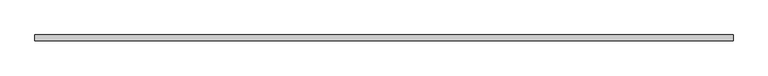
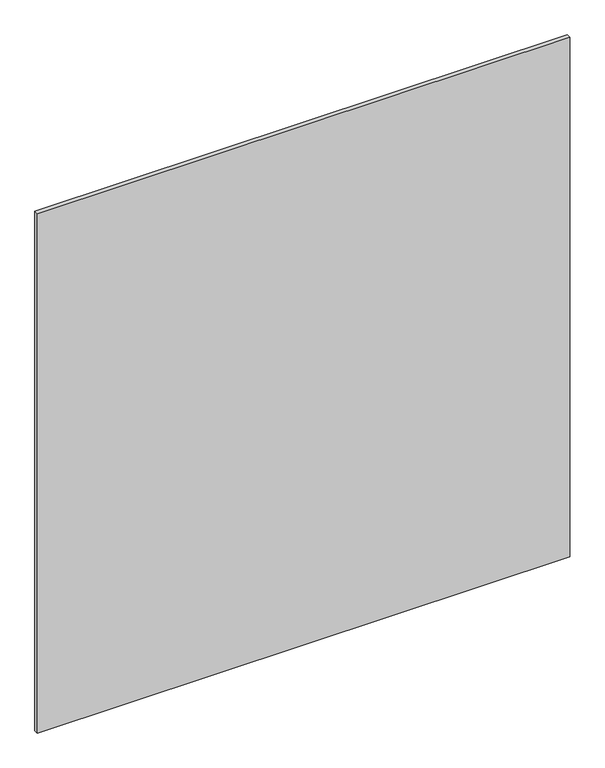
"""IFC4 building model written with IfcOpenShell, lengths in millimetres: plate geometry."""

from ifc_helpers import new_model, si_unit, origin, origin_with_axes, place, context, project, spatial, polyline, outline, extrude, source, transform, mapped, element, save


def plate_3d112146(model_context):
    return source(origin(), model_context, "Body", "SweptSolid", [
        extrude(outline(polyline([(627.75, 5.2), (627.75, -5.2), (-627.75, -5.2), (-627.75, 5.2), (627.75, 5.2)])), origin_with_axes(), (0.0, 0.0, 1.0), 1295.5),
    ])


if __name__ == "__main__":
    model = new_model("IFC4")
    model_context = context("Model", 3, world=origin())
    ifc_project = project(units=[si_unit("LENGTHUNIT", "METRE", prefix="MILLI")], contexts=[model_context])
    site = spatial("IfcSite", under=ifc_project)
    building = spatial("IfcBuilding", under=site)
    placement = place(None, origin())
    plate_shape = plate_3d112146(model_context)
    element("IfcPlate", 1, at=placement, inside=building, context=model_context, shape_type="MappedRepresentation", body=[
        mapped(plate_shape, transform((0.0, 0.0, 0.0), x_axis=(1.0, 0.0, 0.0), y_axis=(0.0, 1.0, 0.0), z_axis=(0.0, 0.0, 1.0))),
    ])
    save(model, "model.ifc")
